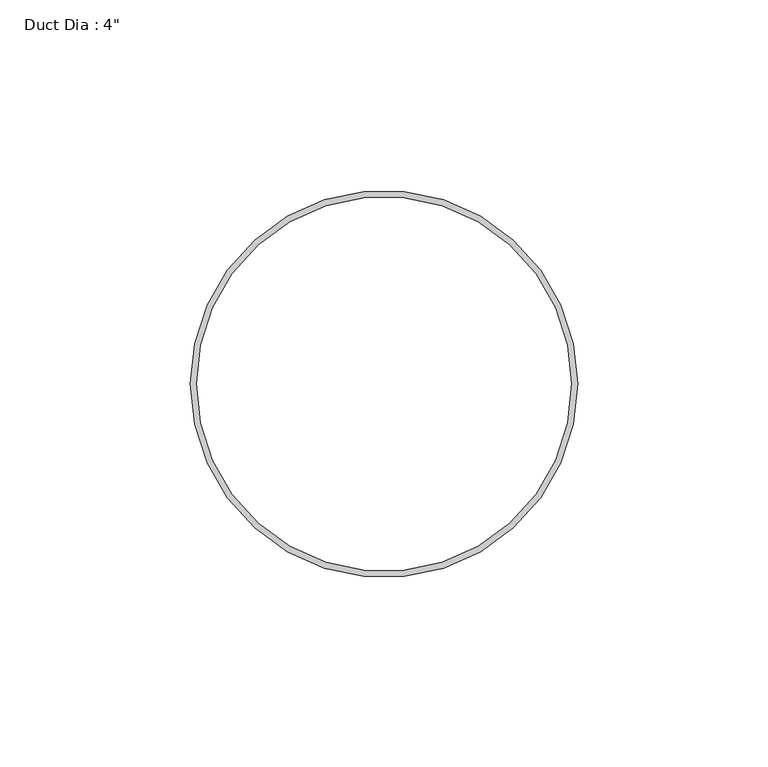
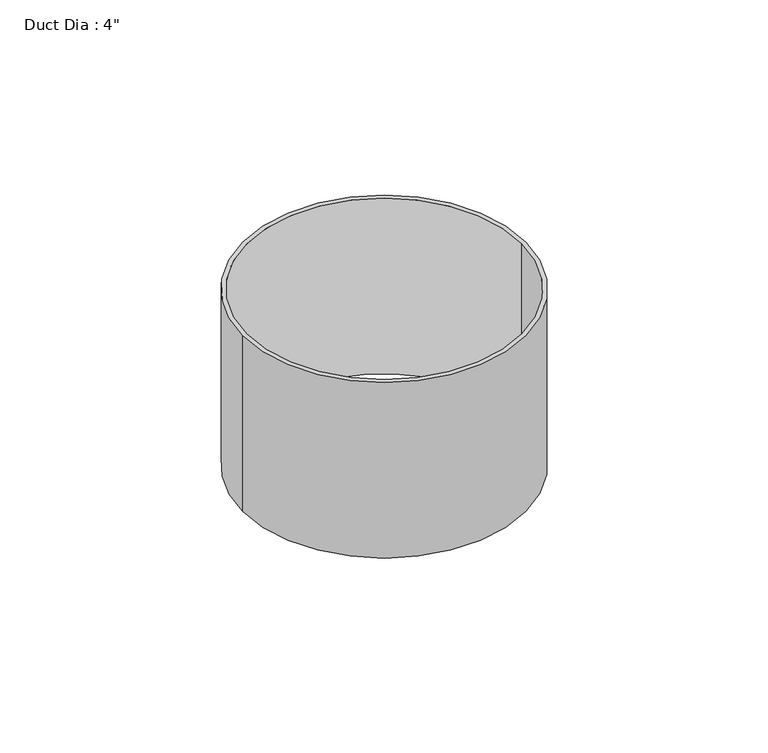
"""IFC4 building model written with IfcOpenShell, lengths in millimetres: proxy geometry."""

from ifc_helpers import new_model, si_unit, point, origin, origin_with_axes, origin_2d, place, context, project, spatial, circle_curve, trimmed, segment, composite_curve, outline, extrude, source, transform, mapped, element, save


def proxy_14ad2d37(model_context):
    return source(origin(), model_context, "Body", "SweptSolid", [
        extrude(outline(composite_curve([segment(trimmed(circle_curve(origin_2d(), 50.8), [point((-50.8, 0.0))], [point((50.8, 0.0))], False, "CARTESIAN"), True, "CONTINUOUS"), segment(trimmed(circle_curve(origin_2d(), 50.8), [point((50.8, 0.0))], [point((-50.8, 0.0))], False, "CARTESIAN"), True, "CONTINUOUS")], self_intersect=False), holes=[composite_curve([segment(trimmed(circle_curve(origin_2d(), 49.2125), [point((-49.2125, 0.0))], [point((49.2125, 0.0))], True, "CARTESIAN"), True, "CONTINUOUS"), segment(trimmed(circle_curve(origin_2d(), 49.2125), [point((49.2125, 0.0))], [point((-49.2125, 0.0))], True, "CARTESIAN"), True, "CONTINUOUS")], self_intersect=False)]), origin_with_axes(), (0.0, 0.0, 1.0), 66.675),
    ])


if __name__ == "__main__":
    model = new_model("IFC4")
    model_context = context("Model", 3, world=origin())
    ifc_project = project(units=[si_unit("LENGTHUNIT", "METRE", prefix="MILLI")], contexts=[model_context])
    site = spatial("IfcSite", under=ifc_project)
    building = spatial("IfcBuilding", under=site)
    placement = place(None, origin())
    proxy_shape = proxy_14ad2d37(model_context)
    element("IfcBuildingElementProxy", 1, Name="Duct Dia : 4\"", ObjectType="Duct Dia : 4\"", at=placement, inside=building, context=model_context, shape_type="MappedRepresentation", body=[
        mapped(proxy_shape, transform((0.0, 0.0, 0.0), x_axis=(1.0, 0.0, 0.0), y_axis=(0.0, 1.0, 0.0), z_axis=(0.0, 0.0, 1.0))),
    ])
    save(model, "model.ifc")
